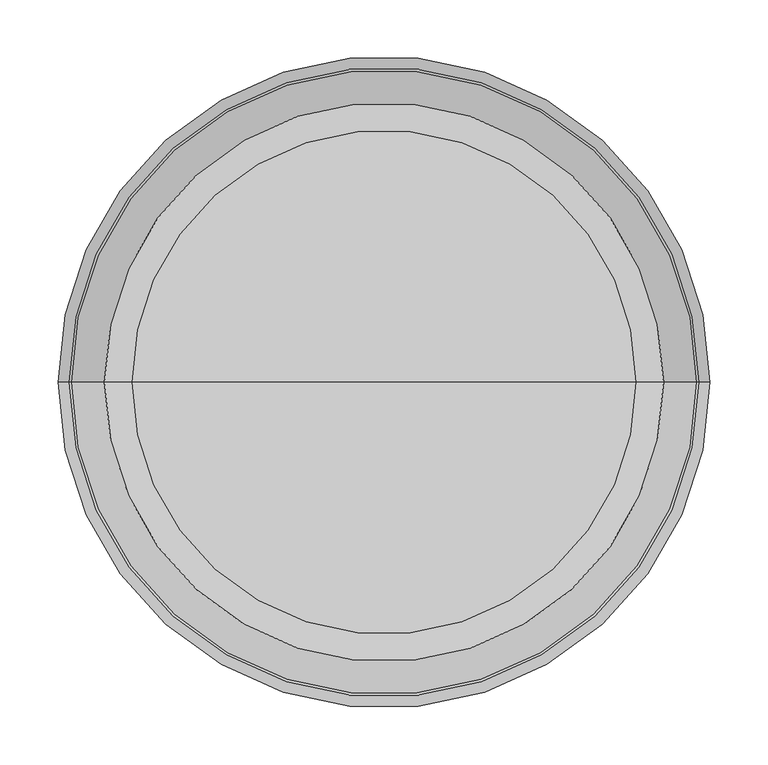
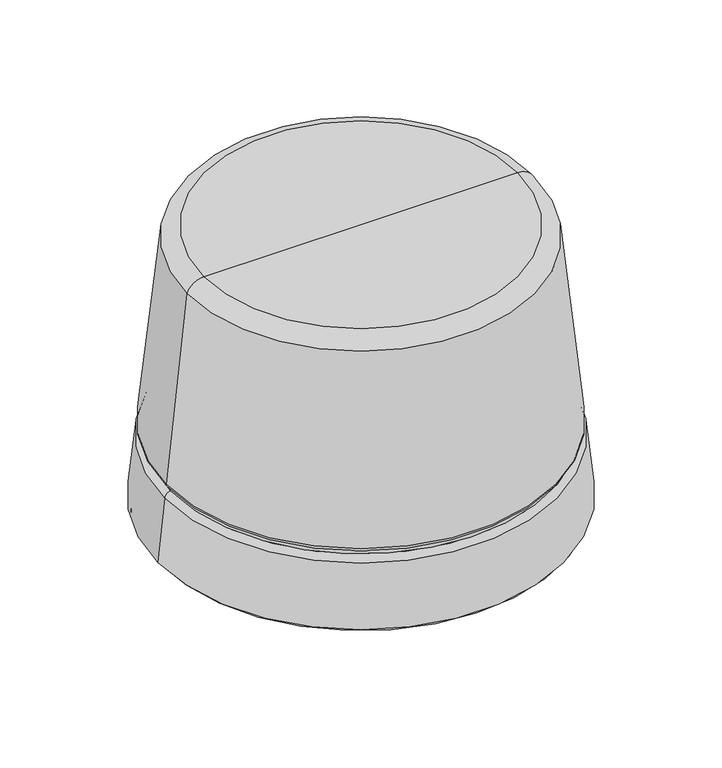
"""IFC4 building model written with IfcOpenShell, lengths in millimetres: furniture geometry."""

from ifc_helpers import new_model, si_unit, point, frame, origin, place, context, project, spatial, polyline, circle_curve, ellipse_curve, trimmed, source, transform, mapped, element, save
from ifc_brep_helpers import plane_surface, cylinder_surface, revolved_surface, advanced_brep


def furniture_969954af(model_context):
    return source(origin(), model_context, "Body", "AdvancedBrep", [
        advanced_brep(
        [(94.6276233, -281.9300781, 465.0382813), (527.6723767, -281.9300781, 465.0382813), (311.15, -281.9300781, 465.0382813), (42.6841337, -281.9300781, 180.017355), (579.6158663, -281.9300781, 180.017355), (551.3826904, -281.9300781, 448.63808), (70.9173096, -281.9300781, 448.63808), (48.4172088, -281.9300781, 174.2842799), (573.8827913, -281.9300781, 174.2842799), (48.4172088, -281.9300781, 168.3822003), (573.8827913, -281.9300781, 168.3822003), (40.6442598, -281.9300781, 160.6092514), (581.6557402, -281.9300781, 160.6092514), (31.1050781, -281.9300781, 69.85), (591.1949219, -281.9300781, 69.85), (311.15, -281.9300781, 69.85)],
        [
            (0, 1, circle_curve(frame((311.15, -281.9300781, 465.0382813), z_axis=(0.0, 0.0, 1.0), x_axis=(1.0, 0.0, 0.0)), 216.5223767)),
            (1, 2),
            (2, 0),
            (1, 0, circle_curve(frame((311.15, -281.9300781, 465.0382813), z_axis=(0.0, 0.0, 1.0), x_axis=(1.0, 0.0, 0.0)), 216.5223767)),
            (3, 4, circle_curve(frame((311.15, -281.9300781, 180.017355), z_axis=(0.0, 0.0, 1.0), x_axis=(1.0, 0.0, 0.0)), 268.4658663)),
            (4, 5),
            (5, 6, circle_curve(frame((311.15, -281.9300781, 448.63808), z_axis=(0.0, 0.0, -1.0), x_axis=(1.0, 0.0, 0.0)), 240.2326904)),
            (6, 3),
            (4, 3, circle_curve(frame((311.15, -281.9300781, 180.017355), z_axis=(0.0, 0.0, 1.0), x_axis=(1.0, 0.0, 0.0)), 268.4658663)),
            (6, 5, circle_curve(frame((311.15, -281.9300781, 448.63808), z_axis=(0.0, 0.0, -1.0), x_axis=(1.0, 0.0, 0.0)), 240.2326904)),
            (7, 8, circle_curve(frame((311.15, -281.9300781, 174.2842799), z_axis=(0.0, 0.0, 1.0), x_axis=(1.0, 0.0, 0.0)), 262.7327913)),
            (8, 4, circle_curve(frame((573.8827913, -281.9300781, 180.017355), z_axis=(0.0, -1.0, 0.0), x_axis=(-1.0, 0.0, 0.0)), 5.733075)),
            (3, 7, circle_curve(frame((48.4172088, -281.9300781, 180.017355), z_axis=(0.0, -1.0, 0.0), x_axis=(1.0, 0.0, 0.0)), 5.733075)),
            (8, 7, circle_curve(frame((311.15, -281.9300781, 174.2842799), z_axis=(0.0, 0.0, 1.0), x_axis=(1.0, 0.0, 0.0)), 262.7327913)),
            (9, 10, circle_curve(frame((311.15, -281.9300781, 168.3822003), z_axis=(0.0, 0.0, 1.0), x_axis=(1.0, 0.0, 0.0)), 262.7327913)),
            (10, 8),
            (7, 9),
            (10, 9, circle_curve(frame((311.15, -281.9300781, 168.3822003), z_axis=(0.0, 0.0, 1.0), x_axis=(1.0, 0.0, 0.0)), 262.7327913)),
            (11, 12, circle_curve(frame((311.15, -281.9300781, 160.6092514), z_axis=(0.0, 0.0, 1.0), x_axis=(1.0, 0.0, 0.0)), 270.5057402)),
            (12, 10, circle_curve(frame((573.8827913, -281.9300781, 160.6092514), z_axis=(0.0, -1.0, 0.0), x_axis=(-1.0, 0.0, 0.0)), 7.7729489)),
            (9, 11, circle_curve(frame((48.4172088, -281.9300781, 160.6092514), z_axis=(0.0, -1.0, 0.0), x_axis=(1.0, 0.0, 0.0)), 7.7729489)),
            (12, 11, circle_curve(frame((311.15, -281.9300781, 160.6092514), z_axis=(0.0, 0.0, 1.0), x_axis=(1.0, 0.0, 0.0)), 270.5057402)),
            (13, 14, circle_curve(frame((311.15, -281.9300781, 69.85), z_axis=(0.0, 0.0, 1.0), x_axis=(1.0, 0.0, 0.0)), 280.0449219)),
            (14, 12),
            (11, 13),
            (14, 13, circle_curve(frame((311.15, -281.9300781, 69.85), z_axis=(0.0, 0.0, 1.0), x_axis=(1.0, 0.0, 0.0)), 280.0449219)),
            (15, 14),
            (13, 15),
            (5, 1, circle_curve(frame((527.6723767, -281.9300781, 439.698788), z_axis=(0.0, -1.0, 0.0), x_axis=(-1.0, 0.0, 0.0)), 25.3394933)),
            (0, 6, circle_curve(frame((94.6276233, -281.9300781, 439.698788), z_axis=(0.0, -1.0, 0.0), x_axis=(1.0, 0.0, 0.0)), 25.3394933)),
        ],
        [
            plane_surface(frame((311.15, -281.9300781, 465.0382813), z_axis=(0.0, 0.0, 1.0), x_axis=(1.0, 0.0, 0.0))),
            revolved_surface(polyline([(551.3826904, -281.9300781, 448.63808), (579.6158663, -281.9300781, 180.017355)]), (311.15, -281.9300781, 617.4382813), (0.0, 0.0, -1.0)),
            revolved_surface(trimmed(ellipse_curve(frame((573.8827913, -281.9300781, 180.017355), z_axis=(0.0, 1.0, 0.0), x_axis=(-1.0, 0.0, 0.0)), 5.733075, 5.733075), [point((579.6158663, -281.9300781, 180.017355))], [point((573.8827913, -281.9300781, 174.2842799))], True, "CARTESIAN"), (311.15, -281.9300781, 617.4382813), (0.0, 0.0, -1.0)),
            cylinder_surface(frame((311.15, -281.9300781, 617.4382813), z_axis=(0.0, 0.0, -1.0), x_axis=(1.0, 0.0, 0.0)), 262.7327913),
            revolved_surface(trimmed(ellipse_curve(frame((573.8827913, -281.9300781, 160.6092514), z_axis=(0.0, 1.0, 0.0), x_axis=(-1.0, 0.0, 0.0)), 7.7729489, 7.7729489), [point((573.8827913, -281.9300781, 168.3822003))], [point((581.6557402, -281.9300781, 160.6092514))], True, "CARTESIAN"), (311.15, -281.9300781, 617.4382813), (0.0, 0.0, -1.0)),
            revolved_surface(polyline([(581.6557402, -281.9300781, 160.6092514), (591.1949219, -281.9300781, 69.85)]), (311.15, -281.9300781, 617.4382813), (0.0, 0.0, -1.0)),
            plane_surface(frame((311.15, -281.9300781, 69.85), z_axis=(0.0, 0.0, -1.0), x_axis=(1.0, 0.0, 0.0))),
            revolved_surface(trimmed(ellipse_curve(frame((527.6723767, -281.9300781, 439.698788), z_axis=(0.0, 1.0, 0.0), x_axis=(-1.0, 0.0, 0.0)), 25.3394933, 25.3394933), [point((527.6723767, -281.9300781, 465.0382813))], [point((551.3826904, -281.9300781, 448.63808))], True, "CARTESIAN"), (311.15, -281.9300781, 617.4382813), (0.0, 0.0, -1.0)),
        ],
        [
            (0, [[1, 2, 3]]),
            (0, [[4, -3, -2]]),
            (1, [[5, 6, 7, 8]]),
            (1, [[9, -8, 10, -6]]),
            (2, [[11, 12, -5, 13]]),
            (2, [[14, -13, -9, -12]]),
            (3, [[15, 16, -11, 17]]),
            (3, [[18, -17, -14, -16]]),
            (4, [[19, 20, -15, 21]]),
            (4, [[22, -21, -18, -20]]),
            (5, [[23, 24, -19, 25]]),
            (5, [[26, -25, -22, -24]]),
            (6, [[27, -23, 28]]),
            (6, [[-28, -26, -27]]),
            (7, [[-7, 29, -1, 30]]),
            (7, [[-10, -30, -4, -29]]),
        ],
    ),
        advanced_brep(
        [(311.15, -281.9300781, 0.0), (588.6304385, -281.9300781, 66.675), (33.6695615, -281.9300781, 66.675), (33.6695615, -281.9300781, 69.85), (588.6304385, -281.9300781, 69.85), (311.15, -281.9300781, 69.85)],
        [
            (0, 1, circle_curve(frame((317.2310657, -281.9300781, 585.4232908), z_axis=(0.0, -1.0, 0.0), x_axis=(-1.0, 0.0, 0.0)), 585.4548734)),
            (1, 2, circle_curve(frame((311.15, -281.9300781, 66.675), z_axis=(0.0, 0.0, -1.0), x_axis=(1.0, 0.0, 0.0)), 277.4804385)),
            (2, 0, circle_curve(frame((305.0689343, -281.9300781, 585.4232908), z_axis=(0.0, -1.0, 0.0), x_axis=(1.0, 0.0, 0.0)), 585.4548734)),
            (2, 1, circle_curve(frame((311.15, -281.9300781, 66.675), z_axis=(0.0, 0.0, -1.0), x_axis=(1.0, 0.0, 0.0)), 277.4804385)),
            (3, 4, circle_curve(frame((311.15, -281.9300781, 69.85), z_axis=(0.0, 0.0, 1.0), x_axis=(1.0, 0.0, 0.0)), 277.4804385)),
            (4, 5),
            (5, 3),
            (4, 3, circle_curve(frame((311.15, -281.9300781, 69.85), z_axis=(0.0, 0.0, 1.0), x_axis=(1.0, 0.0, 0.0)), 277.4804385)),
            (1, 4),
            (3, 2),
        ],
        [
            revolved_surface(trimmed(ellipse_curve(frame((317.2310657, -281.9300781, 585.4232908), z_axis=(0.0, 1.0, 0.0), x_axis=(-1.0, 0.0, 0.0)), 585.4548734, 585.4548734), [point((588.6304385, -281.9300781, 66.675))], [point((311.15, -281.9300781, 0.0))], True, "CARTESIAN"), (311.15, -281.9300781, 292.1), (0.0, 0.0, -1.0)),
            plane_surface(frame((311.15, -281.9300781, 69.85), z_axis=(0.0, 0.0, 1.0), x_axis=(1.0, 0.0, 0.0))),
            cylinder_surface(frame((311.15, -281.9300781, 292.1), z_axis=(0.0, 0.0, -1.0), x_axis=(1.0, 0.0, 0.0)), 277.4804385),
        ],
        [
            (0, [[1, 2, 3]]),
            (0, [[-3, 4, -1]]),
            (1, [[5, 6, 7]]),
            (1, [[8, -7, -6]]),
            (2, [[-2, 9, -5, 10]]),
            (2, [[-4, -10, -8, -9]]),
        ],
    ),
    ])


if __name__ == "__main__":
    model = new_model("IFC4")
    model_context = context("Model", 3, world=origin())
    ifc_project = project(units=[si_unit("LENGTHUNIT", "METRE", prefix="MILLI")], contexts=[model_context])
    site = spatial("IfcSite", under=ifc_project)
    building = spatial("IfcBuilding", under=site)
    placement = place(None, origin())
    furniture_shape = furniture_969954af(model_context)
    element("IfcFurniture", 1, at=placement, inside=building, context=model_context, shape_type="MappedRepresentation", body=[
        mapped(furniture_shape, transform((0.0, 0.0, 0.0), x_axis=(1.0, 0.0, 0.0), y_axis=(0.0, 1.0, 0.0), z_axis=(0.0, 0.0, 1.0))),
    ])
    save(model, "model.ifc")
